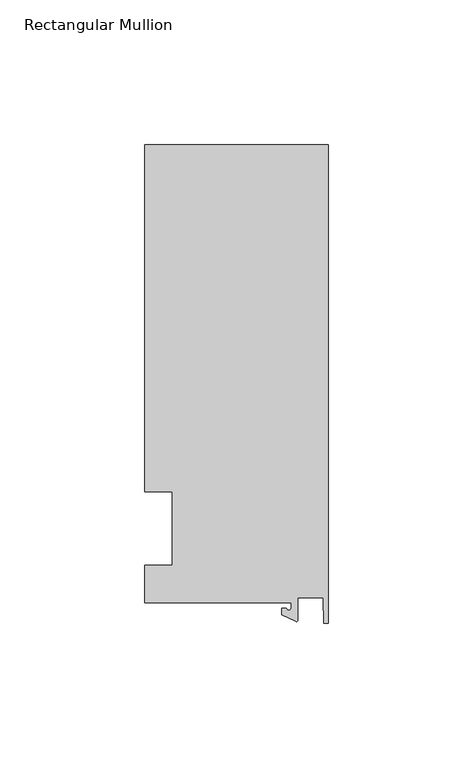
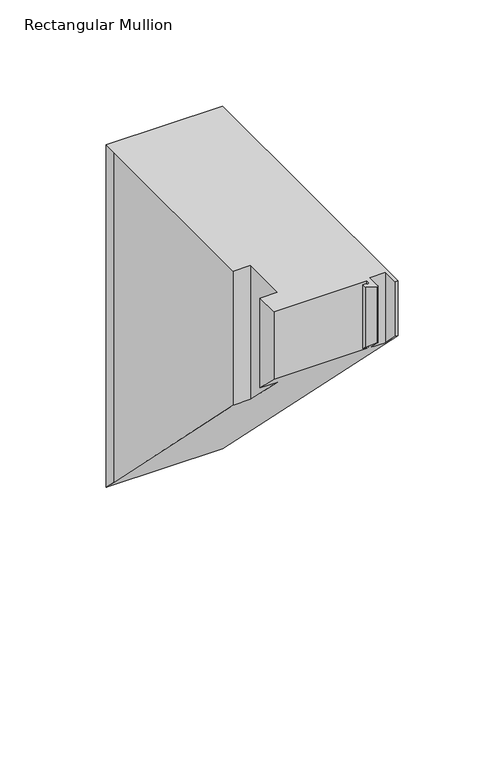
"""IFC4 building model written with IfcOpenShell, lengths in millimetres: member geometry, Rectangular Mullion."""

import ifcopenshell
import ifcopenshell.guid

model = None  # the IFC model being written
_history = None  # IfcOwnerHistory: only IFC2X3 demands one
_inside = {}  # id of a spatial element -> (the spatial element, [elements in it])
_under = {}  # id of a project, library or spatial element -> (it, [spatial elements below it])
_declared = {}  # id of a project -> (the project, [libraries it declares])
_typed = {}  # id of a type object -> (the type object, [elements of that type])
_made_of = {}  # id of a material, layer set ... -> (it, [elements and type objects made of it])


def new_model(schema):
    """Start an empty IFC model of exactly this schema.

    Asked for "IFC4X3", IfcOpenShell would pick the latest addendum, in which some entities
    have other attributes; the version numbers below select the first issue.
    IFC2X3 requires an IfcOwnerHistory on every rooted entity: one is made here for all.
    """
    global model, _history
    if schema == "IFC4X3":
        model = ifcopenshell.file(schema_version=(4, 3, 0, 0))
    else:
        model = ifcopenshell.file(schema=schema)
    _inside.clear()
    _under.clear()
    _declared.clear()
    _typed.clear()
    _made_of.clear()
    _history = None
    if model.schema == "IFC2X3":
        org = make("IfcOrganization", Name="unknown")
        user = make(
            "IfcPersonAndOrganization",
            ThePerson=make("IfcPerson", FamilyName="unknown"),
            TheOrganization=org,
        )
        app = make(
            "IfcApplication",
            ApplicationDeveloper=org,
            Version="unknown",
            ApplicationFullName="unknown",
            ApplicationIdentifier="unknown",
        )
        _history = make(
            "IfcOwnerHistory",
            OwningUser=user,
            OwningApplication=app,
            ChangeAction="ADDED",
            CreationDate=0,
        )
    return model


def make(cls, **values):
    """One entity of the class cls with the attributes given. An attribute that is None is left unset."""
    return model.create_entity(
        cls, **{name: value for name, value in values.items() if value is not None}
    )


def rooted(cls, **values):
    """An entity with a GlobalId (a new one), such as an element, a storey or a relation."""
    return make(cls, GlobalId=ifcopenshell.guid.new(), OwnerHistory=_history, **values)


def si_unit(unit_type, name, prefix=None):
    """IfcSIUnit, for example si_unit("LENGTHUNIT", "METRE", prefix="MILLI")."""
    return make("IfcSIUnit", UnitType=unit_type, Prefix=prefix, Name=name)


def assignment(units):
    """IfcUnitAssignment: the units of a project."""
    return None if units is None else make("IfcUnitAssignment", Units=units)


def point(xyz):
    """IfcCartesianPoint."""
    return None if xyz is None else make("IfcCartesianPoint", Coordinates=xyz)


def direction(xyz):
    """IfcDirection."""
    return None if xyz is None else make("IfcDirection", DirectionRatios=xyz)


def frame(location, z_axis=None, x_axis=None):
    """IfcAxis2Placement3D, a coordinate frame: its origin and axes. An axis left out is left unset."""
    return make(
        "IfcAxis2Placement3D",
        Location=point(location),
        Axis=direction(z_axis),
        RefDirection=direction(x_axis),
    )


def origin():
    """The frame at (0, 0, 0) with its axes left unset."""
    return frame((0.0, 0.0, 0.0))


def place(relative_to, where):
    """IfcLocalPlacement: puts the frame where relative to a parent placement (None: the world)."""
    return make(
        "IfcLocalPlacement", PlacementRelTo=relative_to, RelativePlacement=where
    )


def context(
    kind, dimensions, precision=None, world=None, true_north=None, identifier=None
):
    """IfcGeometricRepresentationContext, for example the 3D "Model" context."""
    return make(
        "IfcGeometricRepresentationContext",
        ContextIdentifier=identifier,
        ContextType=kind,
        CoordinateSpaceDimension=dimensions,
        Precision=precision,
        WorldCoordinateSystem=world,
        TrueNorth=true_north,
    )


def project(units=None, contexts=None):
    """IfcProject with its units and contexts."""
    return rooted(
        "IfcProject",
        Name="project",
        RepresentationContexts=contexts,
        UnitsInContext=assignment(units),
    )


def spatial(cls, under=None, at=None, **own):
    """A site, building, storey or space (cls), placed at a placement, below another one or the project."""
    s = rooted(cls, ObjectPlacement=at, **own)
    if under is not None:
        _under.setdefault(under.id(), (under, []))[1].append(s)
    return s


def polyline(points):
    """IfcPolyline through the points."""
    return make("IfcPolyline", Points=[point(p) for p in points])


def circle_curve(where, radius):
    """IfcCircle in the frame where."""
    return make("IfcCircle", Position=where, Radius=radius)


def ellipse_curve(where, semi_axis1, semi_axis2):
    """IfcEllipse in the frame where."""
    return make(
        "IfcEllipse", Position=where, SemiAxis1=semi_axis1, SemiAxis2=semi_axis2
    )


def shape(context_of_items, identifier, shape_type, items):
    """IfcShapeRepresentation: the items that make up one representation, for example the "Body"."""
    return make(
        "IfcShapeRepresentation",
        ContextOfItems=context_of_items,
        RepresentationIdentifier=identifier,
        RepresentationType=shape_type,
        Items=items,
    )


def source(mapping_origin, context_of_items, identifier, shape_type, items):
    """IfcRepresentationMap: a shape defined once, which mapped items show again and again."""
    return make(
        "IfcRepresentationMap",
        MappingOrigin=mapping_origin,
        MappedRepresentation=shape(context_of_items, identifier, shape_type, items),
    )


def transform(
    local_origin,
    x_axis=None,
    y_axis=None,
    z_axis=None,
    scale=None,
    scale2=None,
    scale3=None,
    uniform=True,
):
    """IfcCartesianTransformationOperator3D, or its non-uniform kind. x_axis, y_axis, z_axis: its Axis1, 2, 3."""
    if uniform:
        return make(
            "IfcCartesianTransformationOperator3D",
            Axis1=direction(x_axis),
            Axis2=direction(y_axis),
            LocalOrigin=point(local_origin),
            Scale=scale,
            Axis3=direction(z_axis),
        )
    return make(
        "IfcCartesianTransformationOperator3DnonUniform",
        Axis1=direction(x_axis),
        Axis2=direction(y_axis),
        LocalOrigin=point(local_origin),
        Scale=scale,
        Axis3=direction(z_axis),
        Scale2=scale2,
        Scale3=scale3,
    )


def mapped(mapping_source, mapping_target):
    """IfcMappedItem: shows the shape of a source again, moved by a transform."""
    return make(
        "IfcMappedItem", MappingSource=mapping_source, MappingTarget=mapping_target
    )


def made_of(thing, what):
    """Note that an element or type object is made of a material, layer set ...; save() writes the relation."""
    if what is not None:
        _made_of.setdefault(what.id(), (what, []))[1].append(thing)
    return thing


def element(
    cls,
    number,
    at=None,
    inside=None,
    cuts=None,
    type_object=None,
    material=None,
    context=None,
    identifier="Body",
    shape_type=None,
    held_by="IfcProductDefinitionShape",
    body=None,
    shapes=None,
    **own,
):
    """One element of the class cls, such as IfcWall. Its Tag is "e" and its number.

    at: its placement. inside: the storey or other place that contains it. cuts: it is an
    opening in that element (IfcRelVoidsElement). A single representation is given by context,
    identifier, shape_type and body (its items); several are given by shapes. held_by: the class
    of the entity that holds the representations. save() writes the other relations.
    """
    e = rooted(cls, Tag="e%d" % number, ObjectPlacement=at, **own)
    if body is not None:
        shapes = [shape(context, identifier, shape_type, body)]
    if shapes is not None:
        e.Representation = make(held_by, Representations=shapes)
    if inside is not None:
        _inside.setdefault(inside.id(), (inside, []))[1].append(e)
    if cuts is not None:
        rooted(
            "IfcRelVoidsElement", RelatingBuildingElement=cuts, RelatedOpeningElement=e
        )
    if type_object is not None:
        _typed.setdefault(type_object.id(), (type_object, []))[1].append(e)
    return made_of(e, material)


def aggregate(whole, parts):
    """IfcRelAggregates: a whole, such as a stair, and the parts it consists of."""
    return rooted("IfcRelAggregates", RelatingObject=whole, RelatedObjects=parts)


def save(model, path):
    """Write the relations noted so far, then the file.

    IfcRelAggregates (storeys below a building ...), IfcRelContainedInSpatialStructure (elements
    in a storey), IfcRelDefinesByType, IfcRelAssociatesMaterial and IfcRelDeclares: one each for
    every whole, place, type object, material and project.
    """
    for whole, parts in _under.values():
        aggregate(whole, parts)
    for where, things in _inside.values():
        rooted(
            "IfcRelContainedInSpatialStructure",
            RelatedElements=things,
            RelatingStructure=where,
        )
    for kind, things in _typed.values():
        rooted("IfcRelDefinesByType", RelatedObjects=things, RelatingType=kind)
    for what, things in _made_of.values():
        rooted("IfcRelAssociatesMaterial", RelatedObjects=things, RelatingMaterial=what)
    for by, libraries in _declared.values():
        rooted("IfcRelDeclares", RelatingContext=by, RelatedDefinitions=libraries)
    model.write(path)


def plane_surface(at):
    """IfcPlane: the flat surface through the origin of the frame at, square to its z axis."""
    return make("IfcPlane", Position=at)


def cylinder_surface(at, radius):
    """IfcCylindricalSurface: all points at the distance radius from the z axis of the frame at."""
    return make("IfcCylindricalSurface", Position=at, Radius=radius)


def revolved_surface(curve, axis_point, axis_direction):
    """IfcSurfaceOfRevolution: the curve turned about the line through axis_point along axis_direction."""
    return make(
        "IfcSurfaceOfRevolution",
        SweptCurve=make("IfcArbitraryOpenProfileDef", ProfileType="CURVE", Curve=curve),
        AxisPosition=make("IfcAxis1Placement", Location=point(axis_point), Axis=direction(axis_direction)),
    )


def advanced_brep(points, edges, surfaces, faces):
    """IfcAdvancedBrep: a solid bounded by faces that lie on surfaces and meet in shared edges.

    An edge is (start, end): straight between two places in points (the first is 0);
    or (start, end, curve); or (start, end, curve, False) where it runs against its curve.
    A face is (place in surfaces, loops), or (place, loops, False) where it looks against
    its surface's normal. A loop lists edges by number (the first is 1), with a minus sign
    where the edge is run from its end to its start. The first loop is the outer one.
    """
    corners = [point(p) for p in points]
    vertices = [make("IfcVertexPoint", VertexGeometry=c) for c in corners]
    made = []
    for start, end, *more in edges:
        made.append(
            make(
                "IfcEdgeCurve",
                EdgeStart=vertices[start],
                EdgeEnd=vertices[end],
                EdgeGeometry=more[0] if more else make("IfcPolyline", Points=[corners[start], corners[end]]),
                SameSense=more[1] if len(more) > 1 else True,
            )
        )
    hull = []
    for where, loops, *sense in faces:
        bounds = []
        for j, loop in enumerate(loops):
            ring = [make("IfcOrientedEdge", EdgeElement=made[abs(k) - 1], Orientation=k > 0) for k in loop]
            bounds.append(
                make(
                    "IfcFaceOuterBound" if j == 0 else "IfcFaceBound",
                    Bound=make("IfcEdgeLoop", EdgeList=ring),
                    Orientation=True,
                )
            )
        hull.append(make("IfcAdvancedFace", Bounds=bounds, FaceSurface=surfaces[where], SameSense=sense[0] if sense else True))
    return make("IfcAdvancedBrep", Outer=make("IfcClosedShell", CfsFaces=hull))


def rectangular_mullion_948857bb(model_context):
    return source(origin(), model_context, "Body", "AdvancedBrep", [
        advanced_brep(
        [(-12.8216721, -25.5984375, 0.0), (-12.8216721, -27.5208534, 0.0), (-14.4091721, -27.5208534, 0.0), (-15.9966721, -27.5208534, 0.0), (-15.9966721, -29.8830527, 0.0), (-11.1567622, -32.1399398, 0.0), (-10.4340721, -31.6795354, 0.0), (-10.4340721, -23.9227662, 0.0), (-1.7144124, -23.9227662, 0.0), (-1.5566453, -32.810012, 0.0), (0.0, -32.810012, 0.0), (0.0, 132.822512, 0.0), (-63.5, 132.822512, 0.0), (-63.5, 125.075512, 0.0), (-63.5, 12.7, 0.0), (-53.975, 12.7, 0.0), (-53.975, -12.7, 0.0), (-63.5, -12.7, 0.0), (-63.5, -25.5984375, 0.0), (-12.8216721, -25.5984375, -38.8477125), (-12.8216721, -27.5208534, -36.9252966), (-14.4091721, -27.5208534, -36.9252966), (-15.9966721, -27.5208534, -36.9252966), (-15.9966721, -29.8830527, -34.5630973), (-11.1567622, -32.1399398, -32.3062102), (-10.4340721, -31.6795354, -32.7666146), (-10.4340721, -23.9227662, -40.5233838), (-1.7144124, -23.9227662, -40.5233838), (-1.5566453, -32.810012, -31.636138), (0.0, -32.810012, -31.636138), (0.0, 132.822512, -197.268662), (-63.5, 132.822512, -197.268662), (-63.5, 125.075512, -189.521662), (-63.5, 12.7, -77.14615), (-53.975, 12.7, -77.14615), (-53.975, -12.7, -51.74615), (-63.5, -12.7, -51.74615), (-63.5, -25.5984375, -38.8477125)],
        [
            (0, 1),
            (1, 2, circle_curve(frame((-13.6154221, -27.5208534, 0.0), z_axis=(0.0, 0.0, -1.0), x_axis=(-1.0, 0.0, 0.0)), 0.79375)),
            (2, 3),
            (3, 4),
            (4, 5),
            (5, 6, circle_curve(frame((-10.9420721, -31.6795354, 0.0), z_axis=(0.0, 0.0, 1.0), x_axis=(-1.0, 0.0, 0.0)), 0.508)),
            (6, 7),
            (7, 8),
            (8, 9),
            (9, 10),
            (10, 11),
            (11, 12),
            (12, 13),
            (13, 14),
            (14, 15),
            (15, 16),
            (16, 17),
            (17, 18),
            (18, 0),
            (0, 19),
            (19, 20),
            (20, 1),
            (20, 21, ellipse_curve(frame((-13.6154221, -27.5208534, -36.9252966), z_axis=(0.0, -0.7071067811865536, -0.7071067811865416), x_axis=(0.0, 0.7071067811865416, -0.7071067811865533)), 1.122532, 0.79375)),
            (21, 2),
            (21, 22),
            (22, 3),
            (22, 23),
            (23, 4),
            (23, 24),
            (24, 5),
            (24, 25, ellipse_curve(frame((-10.9420721, -31.6795354, -32.7666146), z_axis=(0.0, 0.7071067811865536, 0.7071067811865416), x_axis=(0.0, -0.7071067811865416, 0.7071067811865533)), 0.7184205, 0.508)),
            (25, 6),
            (25, 26),
            (26, 7),
            (26, 27),
            (27, 8),
            (27, 28),
            (28, 9),
            (28, 29),
            (29, 10),
            (29, 30),
            (30, 11),
            (30, 31),
            (31, 12),
            (13, 32),
            (32, 33),
            (33, 14),
            (33, 34),
            (34, 15),
            (34, 35),
            (35, 16),
            (35, 36),
            (36, 17),
            (36, 37),
            (37, 18),
            (37, 19),
            (32, 31),
        ],
        [
            plane_surface(frame((0.0, -147.2211591, 0.0), z_axis=(0.0, 0.0, 1.0), x_axis=(-1.0, 0.0, 0.0))),
            plane_surface(frame((-12.8216721, -25.5984375, 0.0), z_axis=(-1.0, 0.0, 0.0), x_axis=(0.0, 0.0, -1.0))),
            revolved_surface(polyline([(-14.4091721, -27.5208534, -37.719046589298905), (-14.4091721, -27.5208534, 0.0)]), (-13.6154221, -27.5208534, 0.0), (0.0, 0.0, -1.0)),
            plane_surface(frame((-14.4091721, -27.5208534, 0.0), z_axis=(0.0, 1.0, 0.0), x_axis=(0.0, 0.0, -1.0))),
            plane_surface(frame((-15.9966721, -27.5208534, 0.0), z_axis=(-1.0, 0.0, 0.0), x_axis=(0.0, 0.0, -1.0))),
            plane_surface(frame((-15.9966721, -29.8830527, 0.0), z_axis=(-0.4226182617406985, -0.9063077870366505, 0.0), x_axis=(0.0, 0.0, -1.0))),
            cylinder_surface(frame((-10.9420721, -31.6795354, 0.0), z_axis=(0.0, 0.0, 1.0), x_axis=(-1.0, 0.0, 0.0)), 0.508),
            plane_surface(frame((-10.4340721, -31.6795354, 0.0), z_axis=(1.0, 0.0, 0.0), x_axis=(0.0, 0.0, -1.0))),
            plane_surface(frame((-10.4340721, -23.9227662, 0.0), z_axis=(0.0, -1.0, 0.0), x_axis=(0.0, 0.0, -1.0))),
            plane_surface(frame((-1.7144124, -23.9227662, 0.0), z_axis=(-0.9998424690407919, -0.017749284560600327, 0.0), x_axis=(0.0, 0.0, -1.0))),
            plane_surface(frame((-1.5566453, -32.810012, 0.0), z_axis=(0.0, -1.0, 0.0), x_axis=(0.0, 0.0, -1.0))),
            plane_surface(frame((0.0, -32.810012, 0.0), z_axis=(1.0, 0.0, 0.0), x_axis=(0.0, 0.0, -1.0))),
            plane_surface(frame((0.0, 132.822512, 0.0), z_axis=(0.0, 1.0, 0.0), x_axis=(0.0, 0.0, -1.0))),
            plane_surface(frame((-63.5, 125.075512, 0.0), z_axis=(-1.0, 0.0, 0.0), x_axis=(0.0, 0.0, -1.0))),
            plane_surface(frame((-63.5, 12.7, 0.0), z_axis=(0.0, -1.0, 0.0), x_axis=(0.0, 0.0, -1.0))),
            plane_surface(frame((-53.975, 12.7, 0.0), z_axis=(-1.0, 0.0, 0.0), x_axis=(0.0, 0.0, -1.0))),
            plane_surface(frame((-53.975, -12.7, 0.0), z_axis=(0.0, 1.0, 0.0), x_axis=(0.0, 0.0, -1.0))),
            plane_surface(frame((-63.5, -12.7, 0.0), z_axis=(-1.0, 0.0, 0.0), x_axis=(0.0, 0.0, -1.0))),
            plane_surface(frame((-63.5, -25.5984375, 0.0), z_axis=(0.0, -1.0, 0.0), x_axis=(0.0, 0.0, -1.0))),
            plane_surface(frame((304.8, 0.0, -64.44615), z_axis=(0.0, -0.7071067811865536, -0.7071067811865416), x_axis=(0.0, -0.7071067811865416, 0.7071067811865536))),
            plane_surface(frame((-63.5, 132.822512, 0.0), z_axis=(-1.0, 0.0, 0.0), x_axis=(0.0, 0.0, -1.0))),
        ],
        [
            (0, [[1, 2, 3, 4, 5, 6, 7, 8, 9, 10, 11, 12, 13, 14, 15, 16, 17, 18, 19]]),
            (1, [[-1, 20, 21, 22]]),
            (2, [[-2, -22, 23, 24]]),
            (3, [[-3, -24, 25, 26]]),
            (4, [[-4, -26, 27, 28]]),
            (5, [[-5, -28, 29, 30]]),
            (6, [[-6, -30, 31, 32]]),
            (7, [[-7, -32, 33, 34]]),
            (8, [[-8, -34, 35, 36]]),
            (9, [[-9, -36, 37, 38]]),
            (10, [[-10, -38, 39, 40]]),
            (11, [[-11, -40, 41, 42]]),
            (12, [[-12, -42, 43, 44]]),
            (13, [[-14, 45, 46, 47]]),
            (14, [[-15, -47, 48, 49]]),
            (15, [[-16, -49, 50, 51]]),
            (16, [[-17, -51, 52, 53]]),
            (17, [[-18, -53, 54, 55]]),
            (18, [[-19, -55, 56, -20]]),
            (19, [[-56, -54, -52, -50, -48, -46, 57, -43, -41, -39, -37, -35, -33, -31, -29, -27, -25, -23, -21]]),
            (20, [[-13, -44, -57, -45]]),
        ],
    ),
    ])


if __name__ == "__main__":
    model = new_model("IFC4")
    model_context = context("Model", 3, world=origin())
    ifc_project = project(units=[si_unit("LENGTHUNIT", "METRE", prefix="MILLI")], contexts=[model_context])
    site = spatial("IfcSite", under=ifc_project)
    building = spatial("IfcBuilding", under=site)
    placement = place(None, origin())
    rectangular_mullion_shape = rectangular_mullion_948857bb(model_context)
    element("IfcMember", 1, ObjectType="Rectangular Mullion", at=placement, inside=building, context=model_context, shape_type="MappedRepresentation", body=[
        mapped(rectangular_mullion_shape, transform((0.0, 0.0, 0.0), x_axis=(1.0, 0.0, 0.0), y_axis=(0.0, 1.0, 0.0), z_axis=(0.0, 0.0, 1.0))),
    ])
    save(model, "model.ifc")
